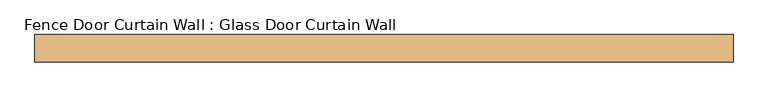
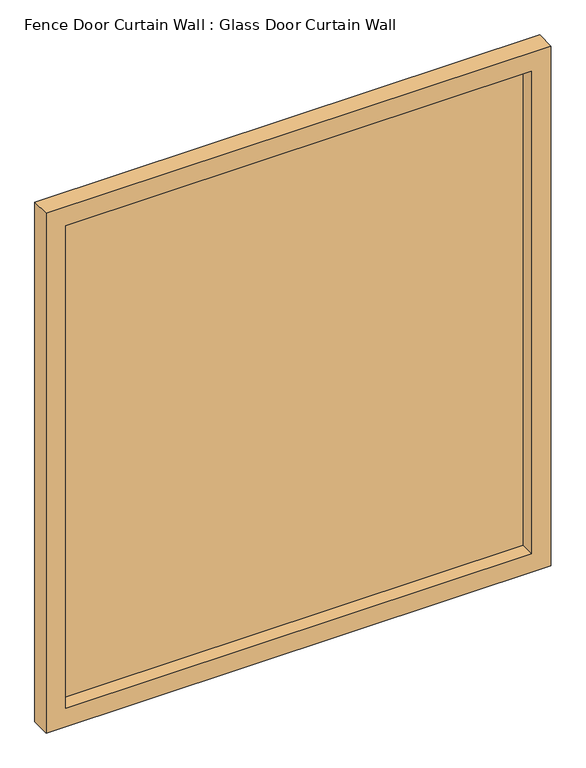
"""IFC4 building model written with IfcOpenShell, lengths in millimetres: door geometry, Fence Door Curtain Wall : Glass Door Curtain Wall."""

from ifc_helpers import new_model, si_unit, frame, origin, place, context, project, spatial, polyline, outline, extrude, source, transform, mapped, element, save


def fence_door_curtain_wall_glass_door_curtain_wall_f234580f(model_context):
    return source(origin(), model_context, "Body", "SweptSolid", [
        extrude(outline(polyline([(603.2499997, 50.8), (603.2499997, 38.1), (-603.2499997, 38.1), (-603.2499997, 50.8), (603.2499997, 50.8)])), frame((0.0, 0.0, 101.6), z_axis=(0.0, 0.0, 1.0), x_axis=(1.0, 0.0, 0.0)), (0.0, 0.0, 1.0), 1320.8),
        extrude(outline(polyline([(1473.2, -654.0499997), (50.8, -654.0499997), (50.8, 654.0499997), (1473.2, 654.0499997), (1473.2, -654.0499997)]), holes=[polyline([(1422.4, 603.2499997), (101.6, 603.2499997), (101.6, -603.2499997), (1422.4, -603.2499997), (1422.4, 603.2499997)])]), frame((0.0, 0.0, 0.0), z_axis=(0.0, 1.0, 0.0), x_axis=(0.0, 0.0, 1.0)), (0.0, 0.0, 1.0), 50.8),
    ])


if __name__ == "__main__":
    model = new_model("IFC4")
    model_context = context("Model", 3, world=origin())
    ifc_project = project(units=[si_unit("LENGTHUNIT", "METRE", prefix="MILLI")], contexts=[model_context])
    site = spatial("IfcSite", under=ifc_project)
    building = spatial("IfcBuilding", under=site)
    placement = place(None, origin())
    fence_door_curtain_wall_glass_door_curtain_wall_shape = fence_door_curtain_wall_glass_door_curtain_wall_f234580f(model_context)
    element("IfcDoor", 1, ObjectType="Fence Door Curtain Wall : Glass Door Curtain Wall", at=placement, inside=building, context=model_context, shape_type="MappedRepresentation", body=[
        mapped(fence_door_curtain_wall_glass_door_curtain_wall_shape, transform((0.0, 0.0, 0.0), x_axis=(1.0, 0.0, 0.0), y_axis=(0.0, 1.0, 0.0), z_axis=(0.0, 0.0, 1.0))),
    ])
    save(model, "model.ifc")
